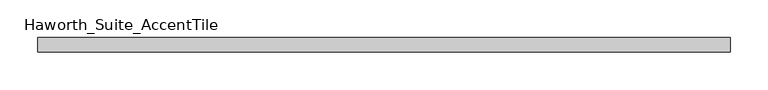
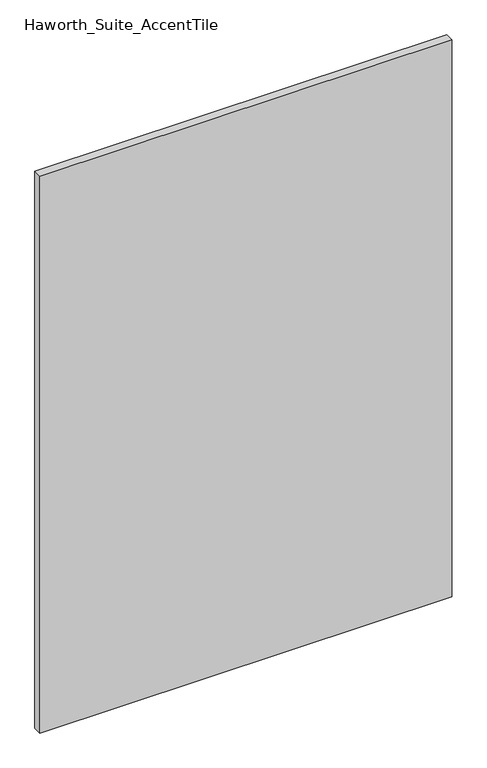
"""IFC4 building model written with IfcOpenShell, lengths in millimetres: furniture geometry, Haworth_Suite_AccentTile."""

from ifc_helpers import new_model, si_unit, frame, origin, place, context, project, spatial, polyline, outline, extrude, source, transform, mapped, element, save


def haworth_suite_accenttile_fb6879cc(model_context):
    return source(origin(), model_context, "Body", "SweptSolid", [
        extrude(outline(polyline([(444.5, -12.7), (444.5, -31.75), (-469.9, -31.75), (-469.9, -12.7), (444.5, -12.7)])), frame((0.0, 0.0, 750.8875), z_axis=(0.0, 0.0, 1.0), x_axis=(1.0, 0.0, 0.0)), (0.0, 0.0, 1.0), 1306.5125),
    ])


if __name__ == "__main__":
    model = new_model("IFC4")
    model_context = context("Model", 3, world=origin())
    ifc_project = project(units=[si_unit("LENGTHUNIT", "METRE", prefix="MILLI")], contexts=[model_context])
    site = spatial("IfcSite", under=ifc_project)
    building = spatial("IfcBuilding", under=site)
    placement = place(None, origin())
    haworth_suite_accenttile_shape = haworth_suite_accenttile_fb6879cc(model_context)
    element("IfcFurniture", 1, ObjectType="Haworth_Suite_AccentTile", at=placement, inside=building, context=model_context, shape_type="MappedRepresentation", body=[
        mapped(haworth_suite_accenttile_shape, transform((0.0, 0.0, 0.0), x_axis=(1.0, 0.0, 0.0), y_axis=(0.0, 1.0, 0.0), z_axis=(0.0, 0.0, 1.0))),
    ])
    save(model, "model.ifc")
